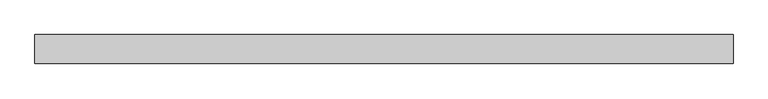
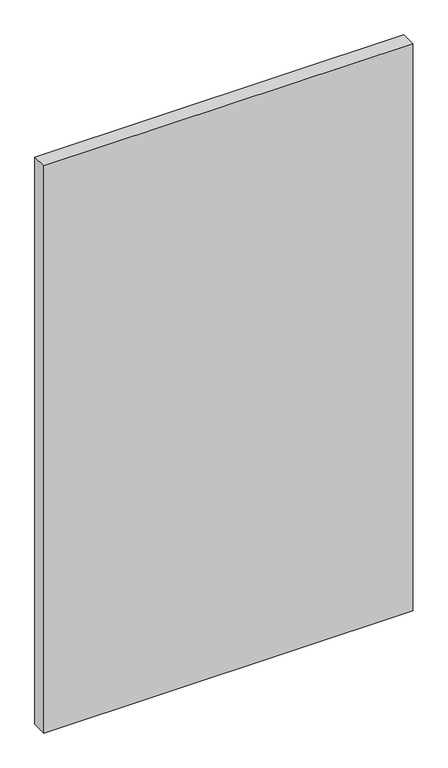
"""IFC4 building model written with IfcOpenShell, lengths in millimetres: proxy geometry."""

from ifc_helpers import new_model, si_unit, frame, origin, place, context, project, spatial, polyline, outline, extrude, source, transform, mapped, element, save


def generic_models_1f3969a0(model_context):
    return source(origin(), model_context, "Body", "SweptSolid", [
        extrude(outline(polyline([(609.6, 0.0), (609.6, -50.8), (-609.6, -50.8), (-609.6, 0.0), (609.6, 0.0)])), frame((0.0, 0.0, 152.4), z_axis=(0.0, 0.0, 1.0), x_axis=(1.0, 0.0, 0.0)), (0.0, 0.0, 1.0), 1981.2),
    ])


if __name__ == "__main__":
    model = new_model("IFC4")
    model_context = context("Model", 3, world=origin())
    ifc_project = project(units=[si_unit("LENGTHUNIT", "METRE", prefix="MILLI")], contexts=[model_context])
    site = spatial("IfcSite", under=ifc_project)
    building = spatial("IfcBuilding", under=site)
    placement = place(None, origin())
    generic_models_shape = generic_models_1f3969a0(model_context)
    element("IfcBuildingElementProxy", 1, Name="Generic Models", at=placement, inside=building, context=model_context, shape_type="MappedRepresentation", body=[
        mapped(generic_models_shape, transform((0.0, 0.0, 0.0), x_axis=(1.0, 0.0, 0.0), y_axis=(0.0, 1.0, 0.0), z_axis=(0.0, 0.0, 1.0))),
    ])
    save(model, "model.ifc")
